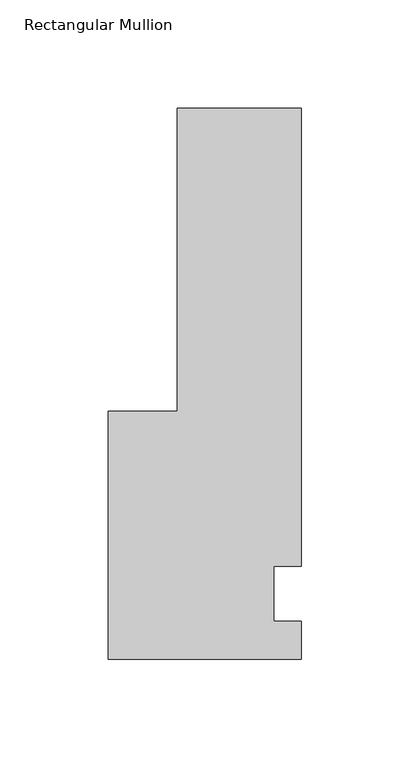
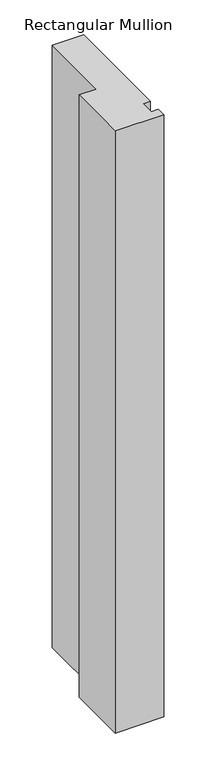
"""IFC4 building model written with IfcOpenShell, lengths in millimetres: member geometry, Rectangular Mullion."""

from ifc_helpers import new_model, si_unit, frame, origin, place, context, project, spatial, polyline, outline, extrude, source, transform, mapped, element, save


def rectangular_mullion_8f196110(model_context):
    return source(origin(), model_context, "Body", "SweptSolid", [
        extrude(outline(polyline([(28.575, 223.8375), (28.575, 12.7), (15.875, 12.7), (15.875, -12.7), (28.575, -12.7), (28.575, -30.1625), (-60.325, -30.1625), (-60.325, 84.1375), (-28.575, 84.1375), (-28.575, 223.8375), (28.575, 223.8375)])), frame((0.0, 0.0, -1162.05), z_axis=(0.0, 0.0, 1.0), x_axis=(1.0, 0.0, 0.0)), (0.0, 0.0, 1.0), 1162.05),
    ])


if __name__ == "__main__":
    model = new_model("IFC4")
    model_context = context("Model", 3, world=origin())
    ifc_project = project(units=[si_unit("LENGTHUNIT", "METRE", prefix="MILLI")], contexts=[model_context])
    site = spatial("IfcSite", under=ifc_project)
    building = spatial("IfcBuilding", under=site)
    placement = place(None, origin())
    rectangular_mullion_shape = rectangular_mullion_8f196110(model_context)
    element("IfcMember", 1, ObjectType="Rectangular Mullion", at=placement, inside=building, context=model_context, shape_type="MappedRepresentation", body=[
        mapped(rectangular_mullion_shape, transform((0.0, 0.0, 0.0), x_axis=(1.0, 0.0, 0.0), y_axis=(0.0, 1.0, 0.0), z_axis=(0.0, 0.0, 1.0))),
    ])
    save(model, "model.ifc")
